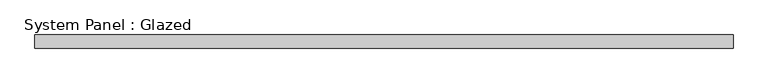
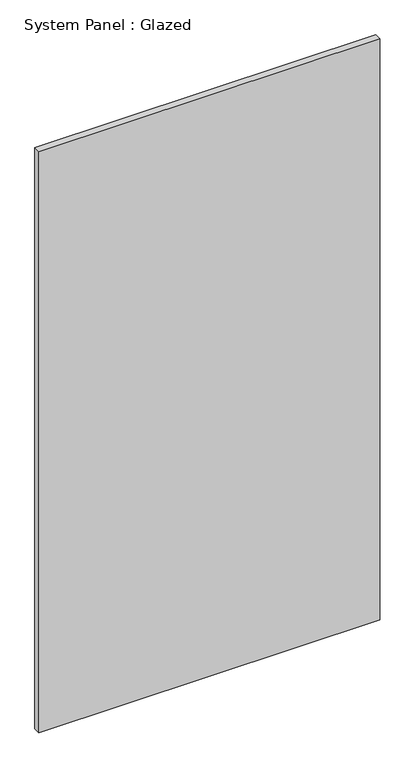
"""IFC4 building model written with IfcOpenShell, lengths in millimetres: plate geometry, System Panel : Glazed."""

from ifc_helpers import new_model, si_unit, origin, origin_with_axes, place, context, project, spatial, polyline, outline, extrude, source, transform, mapped, element, save


def system_panel_glazed_1d49ea89(model_context):
    return source(origin(), model_context, "Body", "SweptSolid", [
        extrude(outline(polyline([(644.5882652, 24.5), (-644.5882652, 24.5), (-644.5882652, 49.5), (644.5882652, 49.5), (644.5882652, 24.5)])), origin_with_axes(), (0.0, 0.0, 1.0), 2325.0),
    ])


if __name__ == "__main__":
    model = new_model("IFC4")
    model_context = context("Model", 3, world=origin())
    ifc_project = project(units=[si_unit("LENGTHUNIT", "METRE", prefix="MILLI")], contexts=[model_context])
    site = spatial("IfcSite", under=ifc_project)
    building = spatial("IfcBuilding", under=site)
    placement = place(None, origin())
    system_panel_glazed_shape = system_panel_glazed_1d49ea89(model_context)
    element("IfcPlate", 1, ObjectType="System Panel : Glazed", at=placement, inside=building, context=model_context, shape_type="MappedRepresentation", body=[
        mapped(system_panel_glazed_shape, transform((0.0, 0.0, 0.0), x_axis=(1.0, 0.0, 0.0), y_axis=(0.0, 1.0, 0.0), z_axis=(0.0, 0.0, 1.0))),
    ])
    save(model, "model.ifc")
